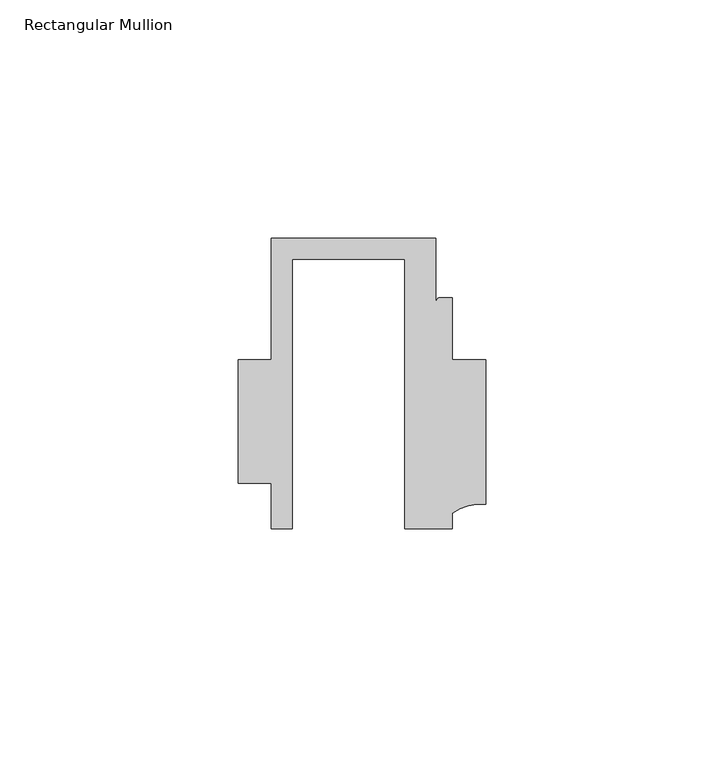
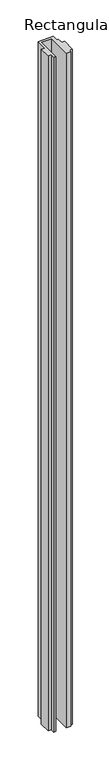
"""IFC4 building model written with IfcOpenShell, lengths in millimetres: member geometry, Rectangular Mullion."""

from ifc_helpers import new_model, si_unit, point, frame, frame_2d, origin, place, context, project, spatial, polyline, circle_curve, trimmed, segment, composite_curve, outline, extrude, source, transform, mapped, element, save


def rectangular_mullion_d76ef456(model_context):
    return source(origin(), model_context, "Body", "SweptSolid", [
        extrude(outline(composite_curve([segment(polyline([(-23.5999572, -20.5), (-28.0000482, -20.5), (-28.0000482, -10.9795682), (-34.9999873, -10.9795682), (-34.9999873, 15.001276), (-28.0000482, 15.001276), (-28.0000482, 40.499932), (6.5000029, 40.499932), (6.5000029, 27.0002131)]), True, "CONTINUOUS"), segment(trimmed(circle_curve(frame_2d((7.5000029, 27.0002131)), 1.0), [point((6.5000029, 27.0002131))], [point((7.5000029, 28.0002131))], False, "CARTESIAN"), True, "CONTINUOUS"), segment(polyline([(7.5000029, 28.0002131), (10.0000029, 28.0002131), (10.0000029, 15.0004617), (16.999942, 15.0004617), (16.999942, -15.3793686)]), True, "CONTINUOUS"), segment(trimmed(circle_curve(frame_2d((16.1098048, -25.7978024)), 10.4563907), [point((16.999942, -15.3793686))], [point((10.0000029, -17.3121423))], True, "CARTESIAN"), True, "CONTINUOUS"), segment(polyline([(10.0000029, -17.3121423), (10.0000029, -20.5), (0.0, -20.5), (0.0, 36.1008577), (-23.5999572, 36.1008577), (-23.5999572, -20.5)]), True, "CONTINUOUS")], self_intersect=False)), frame((0.0, 0.0, -1600.0), z_axis=(0.0, 0.0, 1.0), x_axis=(1.0, 0.0, 0.0)), (0.0, 0.0, 1.0), 1600.0),
    ])


if __name__ == "__main__":
    model = new_model("IFC4")
    model_context = context("Model", 3, world=origin())
    ifc_project = project(units=[si_unit("LENGTHUNIT", "METRE", prefix="MILLI")], contexts=[model_context])
    site = spatial("IfcSite", under=ifc_project)
    building = spatial("IfcBuilding", under=site)
    placement = place(None, origin())
    rectangular_mullion_shape = rectangular_mullion_d76ef456(model_context)
    element("IfcMember", 1, ObjectType="Rectangular Mullion", at=placement, inside=building, context=model_context, shape_type="MappedRepresentation", body=[
        mapped(rectangular_mullion_shape, transform((0.0, 0.0, 0.0), x_axis=(1.0, 0.0, 0.0), y_axis=(0.0, 1.0, 0.0), z_axis=(0.0, 0.0, 1.0))),
    ])
    save(model, "model.ifc")
